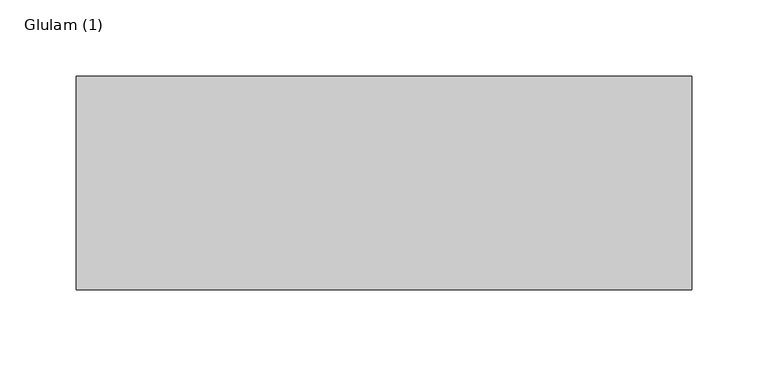
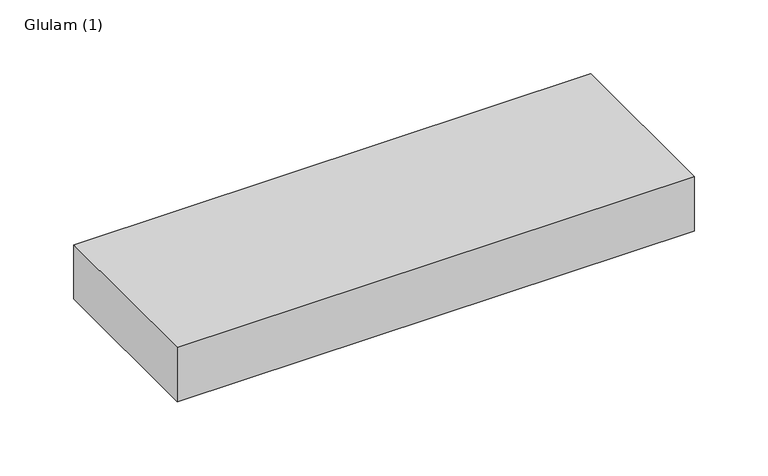
"""IFC4 building model written with IfcOpenShell, lengths in millimetres: beam geometry, Glulam (1)."""

from ifc_helpers import new_model, si_unit, frame, origin, place, context, project, spatial, polyline, outline, extrude, source, transform, mapped, element, save


def glulam_1_c9d6d9fa(model_context):
    return source(origin(), model_context, "Body", "SweptSolid", [
        extrude(outline(polyline([(202.0, 70.0), (202.0, -70.0), (-202.0, -70.0), (-202.0, 70.0), (202.0, 70.0)])), frame((0.0, 0.0, -22.5), z_axis=(0.0, 0.0, 1.0), x_axis=(1.0, 0.0, 0.0)), (0.0, 0.0, 1.0), 45.0),
    ])


if __name__ == "__main__":
    model = new_model("IFC4")
    model_context = context("Model", 3, world=origin())
    ifc_project = project(units=[si_unit("LENGTHUNIT", "METRE", prefix="MILLI")], contexts=[model_context])
    site = spatial("IfcSite", under=ifc_project)
    building = spatial("IfcBuilding", under=site)
    placement = place(None, origin())
    glulam_1_shape = glulam_1_c9d6d9fa(model_context)
    element("IfcBeam", 1, ObjectType="Glulam (1)", at=placement, inside=building, context=model_context, shape_type="MappedRepresentation", body=[
        mapped(glulam_1_shape, transform((0.0, 0.0, 0.0), x_axis=(1.0, 0.0, 0.0), y_axis=(0.0, 1.0, 0.0), z_axis=(0.0, 0.0, 1.0))),
    ])
    save(model, "model.ifc")
